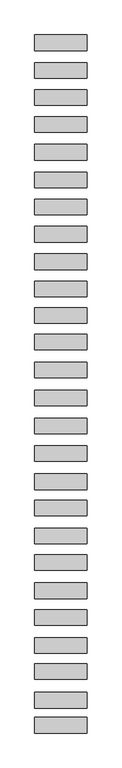
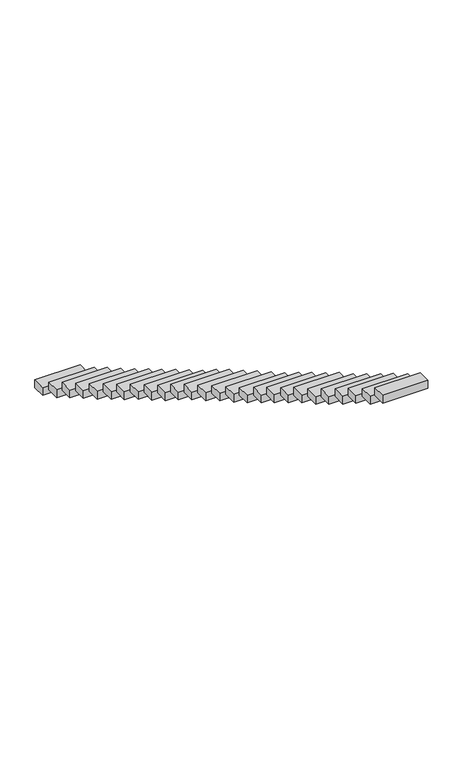
"""IFC4 building model written with IfcOpenShell, lengths in millimetres: proxy geometry."""

from ifc_helpers import new_model, si_unit, frame, origin, place, context, project, spatial, polyline, outline, extrude, source, transform, mapped, element, save


def generic_models_6b2c43b0(model_context):
    return source(origin(), model_context, "Body", "SweptSolid", [
        extrude(outline(polyline([(-640.0, -5416.2569155), (-640.0, -5036.2569155), (640.0, -5036.2569155), (640.0, -5416.2569155), (-640.0, -5416.2569155)])), frame((0.0, 0.0, 3295.8124165), z_axis=(0.0, 0.0, 1.0), x_axis=(1.0, 0.0, 0.0)), (0.0, 0.0, 1.0), 230.0),
        extrude(outline(polyline([(-640.0, -4808.4025436), (-640.0, -4428.4025436), (640.0, -4428.4025436), (640.0, -4808.4025436), (-640.0, -4808.4025436)])), frame((0.0, 0.0, 2896.1418606), z_axis=(0.0, 0.0, 1.0), x_axis=(1.0, 0.0, 0.0)), (0.0, 0.0, 1.0), 230.0),
        extrude(outline(polyline([(-640.0, -4110.6053702), (-640.0, -3730.6053702), (640.0, -3730.6053702), (640.0, -4110.6053702), (-640.0, -4110.6053702)])), frame((0.0, 0.0, 2492.3272127), z_axis=(0.0, 0.0, 1.0), x_axis=(1.0, 0.0, 0.0)), (0.0, 0.0, 1.0), 230.0),
        extrude(outline(polyline([(-640.0, -3477.9946032), (-640.0, -3097.9946032), (640.0, -3097.9946032), (640.0, -3477.9946032), (-640.0, -3477.9946032)])), frame((0.0, 0.0, 2086.5644865), z_axis=(0.0, 0.0, 1.0), x_axis=(1.0, 0.0, 0.0)), (0.0, 0.0, 1.0), 230.0),
        extrude(outline(polyline([(-640.0, -2791.1714652), (-640.0, -2411.1714652), (640.0, -2411.1714652), (640.0, -2791.1714652), (-640.0, -2791.1714652)])), frame((0.0, 0.0, 1666.5322896), z_axis=(0.0, 0.0, 1.0), x_axis=(1.0, 0.0, 0.0)), (0.0, 0.0, 1.0), 230.0),
        extrude(outline(polyline([(-640.0, -2139.047716), (-640.0, -1759.047716), (640.0, -1759.047716), (640.0, -2139.047716), (-640.0, -2139.047716)])), frame((0.0, 0.0, 1273.634828), z_axis=(0.0, 0.0, 1.0), x_axis=(1.0, 0.0, 0.0)), (0.0, 0.0, 1.0), 230.0),
        extrude(outline(polyline([(-640.0, -1449.3593243), (-640.0, -1069.3593243), (640.0, -1069.3593243), (640.0, -1449.3593243), (-640.0, -1449.3593243)])), frame((0.0, 0.0, 896.2248598), z_axis=(0.0, 0.0, 1.0), x_axis=(1.0, 0.0, 0.0)), (0.0, 0.0, 1.0), 230.0),
        extrude(outline(polyline([(-640.0, -801.9921238), (-640.0, -421.9921238), (640.0, -421.9921238), (640.0, -801.9921238), (-640.0, -801.9921238)])), frame((0.0, 0.0, 499.7879832), z_axis=(0.0, 0.0, 1.0), x_axis=(1.0, 0.0, 0.0)), (0.0, 0.0, 1.0), 230.0),
        extrude(outline(polyline([(-640.0, -123.2776907), (-640.0, 256.7223093), (640.0, 256.7223093), (640.0, -123.2776907), (-640.0, -123.2776907)])), frame((0.0, 0.0, 100.7298255), z_axis=(0.0, 0.0, 1.0), x_axis=(1.0, 0.0, 0.0)), (0.0, 0.0, 1.0), 230.0),
        extrude(outline(polyline([(-640.0, 515.5506398), (-640.0, 895.5506398), (640.0, 895.5506398), (640.0, 515.5506398), (-640.0, 515.5506398)])), frame((0.0, 0.0, -293.571842), z_axis=(0.0, 0.0, 1.0), x_axis=(1.0, 0.0, 0.0)), (0.0, 0.0, 1.0), 230.0),
        extrude(outline(polyline([(-640.0, 1207.1302497), (-640.0, 1587.1302497), (640.0, 1587.1302497), (640.0, 1207.1302497), (-640.0, 1207.1302497)])), frame((0.0, 0.0, -717.8735095), z_axis=(0.0, 0.0, 1.0), x_axis=(1.0, 0.0, 0.0)), (0.0, 0.0, 1.0), 230.0),
        extrude(outline(polyline([(-640.0, 1873.5233763), (-640.0, 2253.5233763), (640.0, 2253.5233763), (640.0, 1873.5233763), (-640.0, 1873.5233763)])), frame((0.0, 0.0, -1098.3927259), z_axis=(0.0, 0.0, 1.0), x_axis=(1.0, 0.0, 0.0)), (0.0, 0.0, 1.0), 230.0),
        extrude(outline(polyline([(-640.0, 2557.4812991), (-640.0, 2937.4812991), (640.0, 2937.4812991), (640.0, 2557.4812991), (-640.0, 2557.4812991)])), frame((0.0, 0.0, -1476.5336973), z_axis=(0.0, 0.0, 1.0), x_axis=(1.0, 0.0, 0.0)), (0.0, 0.0, 1.0), 230.0),
        extrude(outline(polyline([(-640.0, 3236.983169), (-640.0, 3616.983169), (640.0, 3616.983169), (640.0, 3236.983169), (-640.0, 3236.983169)])), frame((0.0, 0.0, -1876.5658942), z_axis=(0.0, 0.0, 1.0), x_axis=(1.0, 0.0, 0.0)), (0.0, 0.0, 1.0), 230.0),
        extrude(outline(polyline([(-640.0, 3917.4337493), (-640.0, 4297.4337493), (640.0, 4297.4337493), (640.0, 3917.4337493), (-640.0, 3917.4337493)])), frame((0.0, 0.0, -2269.8935225), z_axis=(0.0, 0.0, 1.0), x_axis=(1.0, 0.0, 0.0)), (0.0, 0.0, 1.0), 230.0),
        extrude(outline(polyline([(-640.0, 4570.84901), (-640.0, 4950.84901), (640.0, 4950.84901), (640.0, 4570.84901), (-640.0, 4570.84901)])), frame((0.0, 0.0, -2663.1282203), z_axis=(0.0, 0.0, 1.0), x_axis=(1.0, 0.0, 0.0)), (0.0, 0.0, 1.0), 230.0),
        extrude(outline(polyline([(-640.0, 5215.2880422), (-640.0, 5595.2880422), (640.0, 5595.2880422), (640.0, 5215.2880422), (-640.0, 5215.2880422)])), frame((0.0, 0.0, -3075.8294052), z_axis=(0.0, 0.0, 1.0), x_axis=(1.0, 0.0, 0.0)), (0.0, 0.0, 1.0), 230.0),
        extrude(outline(polyline([(-640.0, 5876.0150431), (-640.0, 6256.0150431), (640.0, 6256.0150431), (640.0, 5876.0150431), (-640.0, 5876.0150431)])), frame((0.0, 0.0, -3463.7051281), z_axis=(0.0, 0.0, 1.0), x_axis=(1.0, 0.0, 0.0)), (0.0, 0.0, 1.0), 230.0),
        extrude(outline(polyline([(-640.0, 6546.7764913), (-640.0, 6926.7764913), (640.0, 6926.7764913), (640.0, 6546.7764913), (-640.0, 6546.7764913)])), frame((0.0, 0.0, -3851.0353868), z_axis=(0.0, 0.0, 1.0), x_axis=(1.0, 0.0, 0.0)), (0.0, 0.0, 1.0), 230.0),
        extrude(outline(polyline([(-640.0, 7212.9328422), (-640.0, 7592.9328422), (640.0, 7592.9328422), (640.0, 7212.9328422), (-640.0, 7212.9328422)])), frame((0.0, 0.0, -4259.4671011), z_axis=(0.0, 0.0, 1.0), x_axis=(1.0, 0.0, 0.0)), (0.0, 0.0, 1.0), 230.0),
        extrude(outline(polyline([(-640.0, 7866.9881943), (-640.0, 8246.9881943), (640.0, 8246.9881943), (640.0, 7866.9881943), (-640.0, 7866.9881943)])), frame((0.0, 0.0, -4648.3289822), z_axis=(0.0, 0.0, 1.0), x_axis=(1.0, 0.0, 0.0)), (0.0, 0.0, 1.0), 230.0),
        extrude(outline(polyline([(-640.0, 8545.4298125), (-640.0, 8925.4298125), (640.0, 8925.4298125), (640.0, 8545.4298125), (-640.0, 8545.4298125)])), frame((0.0, 0.0, -5051.3552843), z_axis=(0.0, 0.0, 1.0), x_axis=(1.0, 0.0, 0.0)), (0.0, 0.0, 1.0), 230.0),
        extrude(outline(polyline([(-640.0, 9220.8203935), (-640.0, 9600.8203935), (640.0, 9600.8203935), (640.0, 9220.8203935), (-640.0, 9220.8203935)])), frame((0.0, 0.0, -5443.4420332), z_axis=(0.0, 0.0, 1.0), x_axis=(1.0, 0.0, 0.0)), (0.0, 0.0, 1.0), 230.0),
        extrude(outline(polyline([(-640.0, 9881.48895), (-640.0, 10261.48895), (640.0, 10261.48895), (640.0, 9881.48895), (-640.0, 9881.48895)])), frame((0.0, 0.0, -5827.0019599), z_axis=(0.0, 0.0, 1.0), x_axis=(1.0, 0.0, 0.0)), (0.0, 0.0, 1.0), 230.0),
        extrude(outline(polyline([(-640.0, 10535.057246), (-640.0, 10915.057246), (640.0, 10915.057246), (640.0, 10535.057246), (-640.0, 10535.057246)])), frame((0.0, 0.0, -6215.0964381), z_axis=(0.0, 0.0, 1.0), x_axis=(1.0, 0.0, 0.0)), (0.0, 0.0, 1.0), 230.0),
        extrude(outline(polyline([(-640.0, 11212.8605104), (-640.0, 11592.8605104), (640.0, 11592.8605104), (640.0, 11212.8605104), (-640.0, 11212.8605104)])), frame((0.0, 0.0, -6559.0682857), z_axis=(0.0, 0.0, 1.0), x_axis=(1.0, 0.0, 0.0)), (0.0, 0.0, 1.0), 230.0),
    ])


if __name__ == "__main__":
    model = new_model("IFC4")
    model_context = context("Model", 3, world=origin())
    ifc_project = project(units=[si_unit("LENGTHUNIT", "METRE", prefix="MILLI")], contexts=[model_context])
    site = spatial("IfcSite", under=ifc_project)
    building = spatial("IfcBuilding", under=site)
    placement = place(None, origin())
    generic_models_shape = generic_models_6b2c43b0(model_context)
    element("IfcBuildingElementProxy", 1, Name="Generic Models", at=placement, inside=building, context=model_context, shape_type="MappedRepresentation", body=[
        mapped(generic_models_shape, transform((0.0, 0.0, 0.0), x_axis=(1.0, 0.0, 0.0), y_axis=(0.0, 1.0, 0.0), z_axis=(0.0, 0.0, 1.0))),
    ])
    save(model, "model.ifc")
